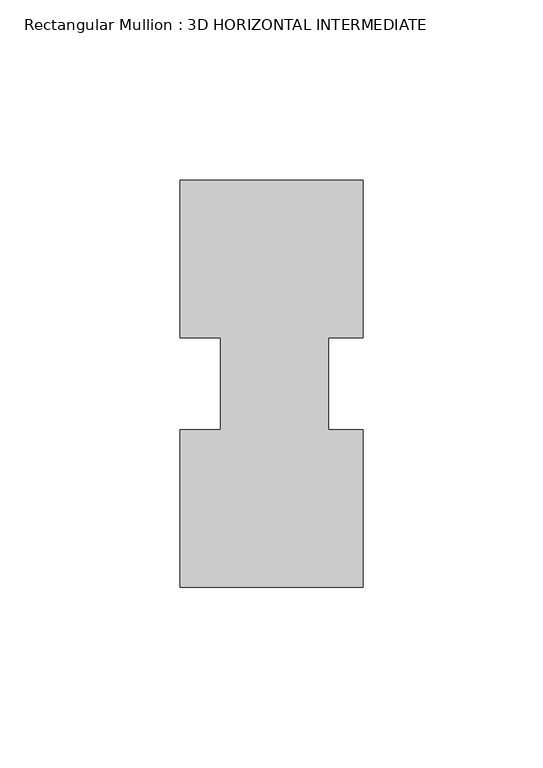
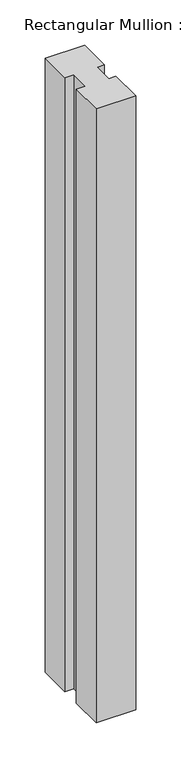
"""IFC4 building model written with IfcOpenShell, lengths in millimetres: member geometry, Rectangular Mullion : 3D HORIZONTAL INTERMEDIATE."""

from ifc_helpers import new_model, si_unit, frame, origin, place, context, project, spatial, polyline, outline, extrude, source, transform, mapped, element, save


def rectangular_mullion_3d_horizontal_intermediate_6a0db6e0(model_context):
    return source(origin(), model_context, "Body", "SweptSolid", [
        extrude(outline(polyline([(24.4527147, 12.7295207), (14.9404146, 12.7295207), (14.9404146, -12.7581776), (24.4527147, -12.7581776), (24.4527147, -56.5435115), (-26.3472853, -56.5435115), (-26.3472853, -12.7581776), (-14.9939298, -12.7581776), (-14.9939298, 12.7295207), (-26.3282353, 12.7295207), (-26.3282353, 56.5372885), (24.4527147, 56.5372885), (24.4527147, 12.7295207)])), frame((0.0, 0.0, -831.6706924), z_axis=(0.0, 0.0, 1.0), x_axis=(1.0, 0.0, 0.0)), (0.0, 0.0, 1.0), 831.6706924),
    ])


if __name__ == "__main__":
    model = new_model("IFC4")
    model_context = context("Model", 3, world=origin())
    ifc_project = project(units=[si_unit("LENGTHUNIT", "METRE", prefix="MILLI")], contexts=[model_context])
    site = spatial("IfcSite", under=ifc_project)
    building = spatial("IfcBuilding", under=site)
    placement = place(None, origin())
    rectangular_mullion_3d_horizontal_intermediate_shape = rectangular_mullion_3d_horizontal_intermediate_6a0db6e0(model_context)
    element("IfcMember", 1, ObjectType="Rectangular Mullion : 3D HORIZONTAL INTERMEDIATE", at=placement, inside=building, context=model_context, shape_type="MappedRepresentation", body=[
        mapped(rectangular_mullion_3d_horizontal_intermediate_shape, transform((0.0, 0.0, 0.0), x_axis=(1.0, 0.0, 0.0), y_axis=(0.0, 1.0, 0.0), z_axis=(0.0, 0.0, 1.0))),
    ])
    save(model, "model.ifc")
